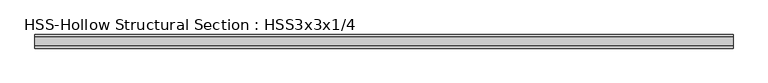
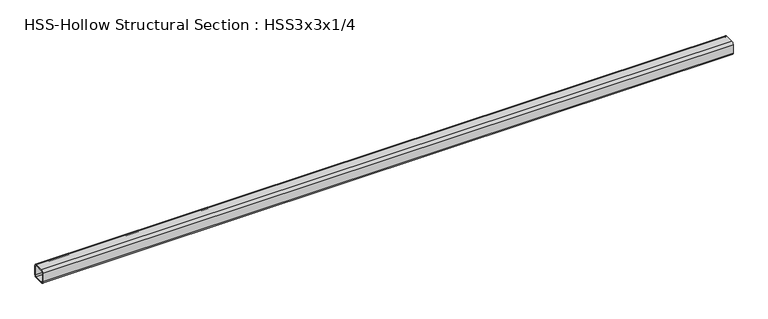
"""IFC4 building model written with IfcOpenShell, lengths in millimetres: beam geometry, HSS-Hollow Structural Section : HSS3x3x1/4."""

from ifc_helpers import new_model, si_unit, point, frame, frame_2d, origin, place, context, project, spatial, polyline, circle_curve, trimmed, segment, composite_curve, outline, extrude, source, transform, mapped, element, save


def hss_hollow_structural_section_hss3x3x1_4_fdb08844(model_context):
    return source(origin(), model_context, "Body", "SweptSolid", [
        extrude(outline(composite_curve([segment(trimmed(circle_curve(frame_2d((-25.4, 25.4)), 12.7), [point((-38.1, 25.4))], [point((-25.4, 38.1))], False, "CARTESIAN"), True, "CONTINUOUS"), segment(polyline([(-25.4, 38.1), (25.4, 38.1)]), True, "CONTINUOUS"), segment(trimmed(circle_curve(frame_2d((25.4, 25.4)), 12.7), [point((25.4, 38.1))], [point((38.1, 25.4))], False, "CARTESIAN"), True, "CONTINUOUS"), segment(polyline([(38.1, 25.4), (38.1, -25.4)]), True, "CONTINUOUS"), segment(trimmed(circle_curve(frame_2d((25.4, -25.4)), 12.7), [point((38.1, -25.4))], [point((25.4, -38.1))], False, "CARTESIAN"), True, "CONTINUOUS"), segment(polyline([(25.4, -38.1), (-25.4, -38.1)]), True, "CONTINUOUS"), segment(trimmed(circle_curve(frame_2d((-25.4, -25.4)), 12.7), [point((-25.4, -38.1))], [point((-38.1, -25.4))], False, "CARTESIAN"), True, "CONTINUOUS"), segment(polyline([(-38.1, -25.4), (-38.1, 25.4)]), True, "CONTINUOUS")], self_intersect=False), holes=[composite_curve([segment(polyline([(25.4, 31.75), (-25.4, 31.75)]), True, "CONTINUOUS"), segment(trimmed(circle_curve(frame_2d((-25.4, 25.4)), 6.35), [point((-25.4, 31.75))], [point((-31.75, 25.4))], True, "CARTESIAN"), True, "CONTINUOUS"), segment(polyline([(-31.75, 25.4), (-31.75, -25.4)]), True, "CONTINUOUS"), segment(trimmed(circle_curve(frame_2d((-25.4, -25.4)), 6.35), [point((-31.75, -25.4))], [point((-25.4, -31.75))], True, "CARTESIAN"), True, "CONTINUOUS"), segment(polyline([(-25.4, -31.75), (25.4, -31.75)]), True, "CONTINUOUS"), segment(trimmed(circle_curve(frame_2d((25.4, -25.4)), 6.35), [point((25.4, -31.75))], [point((31.75, -25.4))], True, "CARTESIAN"), True, "CONTINUOUS"), segment(polyline([(31.75, -25.4), (31.75, 25.4)]), True, "CONTINUOUS"), segment(trimmed(circle_curve(frame_2d((25.4, 25.4)), 6.35), [point((31.75, 25.4))], [point((25.4, 31.75))], True, "CARTESIAN"), True, "CONTINUOUS")], self_intersect=False)]), frame((-1949.45, 0.0, 0.0), z_axis=(1.0, 0.0, 0.0), x_axis=(0.0, 1.0, 0.0)), (0.0, 0.0, 1.0), 3898.9),
    ])


if __name__ == "__main__":
    model = new_model("IFC4")
    model_context = context("Model", 3, world=origin())
    ifc_project = project(units=[si_unit("LENGTHUNIT", "METRE", prefix="MILLI")], contexts=[model_context])
    site = spatial("IfcSite", under=ifc_project)
    building = spatial("IfcBuilding", under=site)
    placement = place(None, origin())
    hss_hollow_structural_section_hss3x3x1_4_shape = hss_hollow_structural_section_hss3x3x1_4_fdb08844(model_context)
    element("IfcBeam", 1, ObjectType="HSS-Hollow Structural Section : HSS3x3x1/4", at=placement, inside=building, context=model_context, shape_type="MappedRepresentation", body=[
        mapped(hss_hollow_structural_section_hss3x3x1_4_shape, transform((0.0, 0.0, 0.0), x_axis=(1.0, 0.0, 0.0), y_axis=(0.0, 1.0, 0.0), z_axis=(0.0, 0.0, 1.0))),
    ])
    save(model, "model.ifc")
